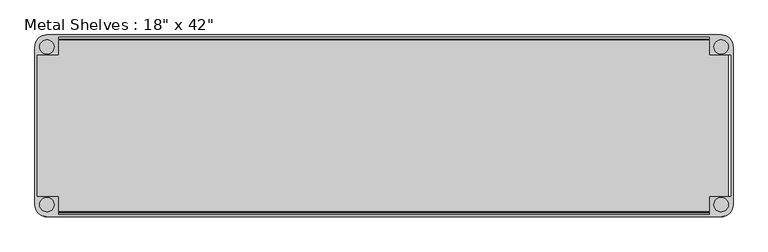
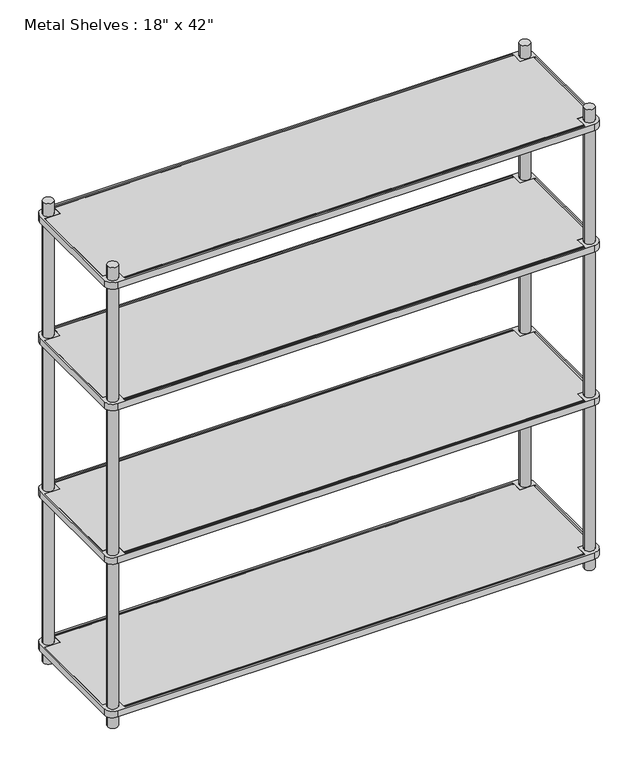
"""IFC4 building model written with IfcOpenShell, lengths in millimetres: furniture geometry."""

from ifc_helpers import new_model, si_unit, point, frame, frame_2d, origin, origin_with_axes, place, context, project, spatial, polyline, circle_curve, trimmed, segment, composite_curve, outline, extrude, source, transform, mapped, element, save


def furniture_4351e6d8(model_context):
    return source(origin(), model_context, "Body", "SweptSolid", [
        extrude(outline(polyline([(-863.6, 187.325), (-863.6, 227.0125), (863.6, 227.0125), (863.6, 187.325), (914.4, 187.325), (914.4, -187.325), (863.6, -187.325), (863.6, -227.0125), (-863.6, -227.0125), (-863.6, -187.325), (-920.75, -187.325), (-920.75, 187.325), (-863.6, 187.325)])), frame((0.0, 0.0, 1774.825), z_axis=(0.0, 0.0, 1.0), x_axis=(1.0, 0.0, 0.0)), (0.0, 0.0, 1.0), 3.175),
        extrude(outline(polyline([(-863.6, 187.325), (-863.6, 227.0125), (863.6, 227.0125), (863.6, 187.325), (914.4, 187.325), (914.4, -187.325), (863.6, -187.325), (863.6, -227.0125), (-863.6, -227.0125), (-863.6, -187.325), (-920.75, -187.325), (-920.75, 187.325), (-863.6, 187.325)])), frame((0.0, 0.0, 1292.225), z_axis=(0.0, 0.0, 1.0), x_axis=(1.0, 0.0, 0.0)), (0.0, 0.0, 1.0), 3.175),
        extrude(outline(polyline([(-863.6, 187.325), (-863.6, 227.0125), (863.6, 227.0125), (863.6, 187.325), (914.4, 187.325), (914.4, -187.325), (863.6, -187.325), (863.6, -227.0125), (-863.6, -227.0125), (-863.6, -187.325), (-920.75, -187.325), (-920.75, 187.325), (-863.6, 187.325)])), frame((0.0, 0.0, 682.625), z_axis=(0.0, 0.0, 1.0), x_axis=(1.0, 0.0, 0.0)), (0.0, 0.0, 1.0), 3.175),
        extrude(outline(polyline([(-863.6, 187.325), (-863.6, 227.0125), (863.6, 227.0125), (863.6, 187.325), (914.4, 187.325), (914.4, -187.325), (863.6, -187.325), (863.6, -227.0125), (-863.6, -227.0125), (-863.6, -187.325), (-920.75, -187.325), (-920.75, 187.325), (-863.6, 187.325)])), frame((0.0, 0.0, 73.025), z_axis=(0.0, 0.0, 1.0), x_axis=(1.0, 0.0, 0.0)), (0.0, 0.0, 1.0), 3.175),
        extrude(outline(composite_curve([segment(trimmed(circle_curve(frame_2d((895.35, -209.55)), 31.75), [point((927.1, -209.55))], [point((895.35, -241.3))], False, "CARTESIAN"), True, "CONTINUOUS"), segment(polyline([(895.35, -241.3), (-895.35, -241.3)]), True, "CONTINUOUS"), segment(trimmed(circle_curve(frame_2d((-895.35, -209.55)), 31.75), [point((-895.35, -241.3))], [point((-927.1, -209.55))], False, "CARTESIAN"), True, "CONTINUOUS"), segment(polyline([(-927.1, -209.55), (-927.1, 209.55)]), True, "CONTINUOUS"), segment(trimmed(circle_curve(frame_2d((-895.35, 209.55)), 31.75), [point((-927.1, 209.55))], [point((-895.35, 241.3))], False, "CARTESIAN"), True, "CONTINUOUS"), segment(polyline([(-895.35, 241.3), (895.35, 241.3)]), True, "CONTINUOUS"), segment(trimmed(circle_curve(frame_2d((895.35, 209.55)), 31.75), [point((895.35, 241.3))], [point((927.1, 209.55))], False, "CARTESIAN"), True, "CONTINUOUS"), segment(polyline([(927.1, 209.55), (927.1, -209.55)]), True, "CONTINUOUS")], self_intersect=False), holes=[polyline([(-863.6, -234.95), (863.6, -234.95), (863.6, -187.325), (920.75, -187.325), (920.75, 187.325), (863.6, 187.325), (863.6, 234.95), (-863.6, 234.95), (-863.6, 187.325), (-920.75, 187.325), (-920.75, -187.325), (-863.6, -187.325), (-863.6, -234.95)]), composite_curve([segment(trimmed(circle_curve(frame_2d((895.35, -209.55)), 19.05), [point((876.3, -209.55))], [point((914.4, -209.55))], True, "CARTESIAN"), True, "CONTINUOUS"), segment(trimmed(circle_curve(frame_2d((895.35, -209.55)), 19.05), [point((914.4, -209.55))], [point((876.3, -209.55))], True, "CARTESIAN"), True, "CONTINUOUS")], self_intersect=False), composite_curve([segment(trimmed(circle_curve(frame_2d((895.35, 209.55)), 19.05), [point((876.3, 209.55))], [point((914.4, 209.55))], True, "CARTESIAN"), True, "CONTINUOUS"), segment(trimmed(circle_curve(frame_2d((895.35, 209.55)), 19.05), [point((914.4, 209.55))], [point((876.3, 209.55))], True, "CARTESIAN"), True, "CONTINUOUS")], self_intersect=False), composite_curve([segment(trimmed(circle_curve(frame_2d((-895.35, 209.55)), 19.05), [point((-876.3, 209.55))], [point((-914.4, 209.55))], True, "CARTESIAN"), True, "CONTINUOUS"), segment(trimmed(circle_curve(frame_2d((-895.35, 209.55)), 19.05), [point((-914.4, 209.55))], [point((-876.3, 209.55))], True, "CARTESIAN"), True, "CONTINUOUS")], self_intersect=False), composite_curve([segment(trimmed(circle_curve(frame_2d((-895.35, -209.55)), 19.05), [point((-876.3, -209.55))], [point((-914.4, -209.55))], True, "CARTESIAN"), True, "CONTINUOUS"), segment(trimmed(circle_curve(frame_2d((-895.35, -209.55)), 19.05), [point((-914.4, -209.55))], [point((-876.3, -209.55))], True, "CARTESIAN"), True, "CONTINUOUS")], self_intersect=False)]), frame((0.0, 0.0, 660.4), z_axis=(0.0, 0.0, 1.0), x_axis=(1.0, 0.0, 0.0)), (0.0, 0.0, 1.0), 25.4),
        extrude(outline(composite_curve([segment(trimmed(circle_curve(frame_2d((-895.35, -209.55)), 31.75), [point((-895.35, -241.3))], [point((-927.1, -209.55))], False, "CARTESIAN"), True, "CONTINUOUS"), segment(polyline([(-927.1, -209.55), (-927.1, 209.55)]), True, "CONTINUOUS"), segment(trimmed(circle_curve(frame_2d((-895.35, 209.55)), 31.75), [point((-927.1, 209.55))], [point((-895.35, 241.3))], False, "CARTESIAN"), True, "CONTINUOUS"), segment(polyline([(-895.35, 241.3), (895.35, 241.3)]), True, "CONTINUOUS"), segment(trimmed(circle_curve(frame_2d((895.35, 209.55)), 31.75), [point((895.35, 241.3))], [point((927.1, 209.55))], False, "CARTESIAN"), True, "CONTINUOUS"), segment(polyline([(927.1, 209.55), (927.1, -209.55)]), True, "CONTINUOUS"), segment(trimmed(circle_curve(frame_2d((895.35, -209.55)), 31.75), [point((927.1, -209.55))], [point((895.35, -241.3))], False, "CARTESIAN"), True, "CONTINUOUS"), segment(polyline([(895.35, -241.3), (-895.35, -241.3)]), True, "CONTINUOUS")], self_intersect=False), holes=[composite_curve([segment(trimmed(circle_curve(frame_2d((-895.35, -209.55)), 19.05), [point((-876.3, -209.55))], [point((-914.4, -209.55))], True, "CARTESIAN"), True, "CONTINUOUS"), segment(trimmed(circle_curve(frame_2d((-895.35, -209.55)), 19.05), [point((-914.4, -209.55))], [point((-876.3, -209.55))], True, "CARTESIAN"), True, "CONTINUOUS")], self_intersect=False), composite_curve([segment(trimmed(circle_curve(frame_2d((-895.35, 209.55)), 19.05), [point((-876.3, 209.55))], [point((-914.4, 209.55))], True, "CARTESIAN"), True, "CONTINUOUS"), segment(trimmed(circle_curve(frame_2d((-895.35, 209.55)), 19.05), [point((-914.4, 209.55))], [point((-876.3, 209.55))], True, "CARTESIAN"), True, "CONTINUOUS")], self_intersect=False), composite_curve([segment(trimmed(circle_curve(frame_2d((895.35, -209.55)), 19.05), [point((876.3, -209.55))], [point((914.4, -209.55))], True, "CARTESIAN"), True, "CONTINUOUS"), segment(trimmed(circle_curve(frame_2d((895.35, -209.55)), 19.05), [point((914.4, -209.55))], [point((876.3, -209.55))], True, "CARTESIAN"), True, "CONTINUOUS")], self_intersect=False), composite_curve([segment(trimmed(circle_curve(frame_2d((895.35, 209.55)), 19.05), [point((876.3, 209.55))], [point((914.4, 209.55))], True, "CARTESIAN"), True, "CONTINUOUS"), segment(trimmed(circle_curve(frame_2d((895.35, 209.55)), 19.05), [point((914.4, 209.55))], [point((876.3, 209.55))], True, "CARTESIAN"), True, "CONTINUOUS")], self_intersect=False), polyline([(-863.6, -234.95), (863.6, -234.95), (863.6, -187.325), (920.75, -187.325), (920.75, 187.325), (863.6, 187.325), (863.6, 234.95), (-863.6, 234.95), (-863.6, 187.325), (-920.75, 187.325), (-920.75, -187.325), (-863.6, -187.325), (-863.6, -234.95)])]), frame((0.0, 0.0, 50.8), z_axis=(0.0, 0.0, 1.0), x_axis=(1.0, 0.0, 0.0)), (0.0, 0.0, 1.0), 25.4),
        extrude(outline(composite_curve([segment(trimmed(circle_curve(frame_2d((-895.35, 209.55)), 31.75), [point((-927.1, 209.55))], [point((-895.35, 241.3))], False, "CARTESIAN"), True, "CONTINUOUS"), segment(polyline([(-895.35, 241.3), (895.35, 241.3)]), True, "CONTINUOUS"), segment(trimmed(circle_curve(frame_2d((895.35, 209.55)), 31.75), [point((895.35, 241.3))], [point((927.1, 209.55))], False, "CARTESIAN"), True, "CONTINUOUS"), segment(polyline([(927.1, 209.55), (927.1, -209.55)]), True, "CONTINUOUS"), segment(trimmed(circle_curve(frame_2d((895.35, -209.55)), 31.75), [point((927.1, -209.55))], [point((895.35, -241.3))], False, "CARTESIAN"), True, "CONTINUOUS"), segment(polyline([(895.35, -241.3), (-895.35, -241.3)]), True, "CONTINUOUS"), segment(trimmed(circle_curve(frame_2d((-895.35, -209.55)), 31.75), [point((-895.35, -241.3))], [point((-927.1, -209.55))], False, "CARTESIAN"), True, "CONTINUOUS"), segment(polyline([(-927.1, -209.55), (-927.1, 209.55)]), True, "CONTINUOUS")], self_intersect=False), holes=[composite_curve([segment(trimmed(circle_curve(frame_2d((-895.35, 209.55)), 19.05), [point((-876.3, 209.55))], [point((-914.4, 209.55))], True, "CARTESIAN"), True, "CONTINUOUS"), segment(trimmed(circle_curve(frame_2d((-895.35, 209.55)), 19.05), [point((-914.4, 209.55))], [point((-876.3, 209.55))], True, "CARTESIAN"), True, "CONTINUOUS")], self_intersect=False), composite_curve([segment(trimmed(circle_curve(frame_2d((-895.35, -209.55)), 19.05), [point((-876.3, -209.55))], [point((-914.4, -209.55))], True, "CARTESIAN"), True, "CONTINUOUS"), segment(trimmed(circle_curve(frame_2d((-895.35, -209.55)), 19.05), [point((-914.4, -209.55))], [point((-876.3, -209.55))], True, "CARTESIAN"), True, "CONTINUOUS")], self_intersect=False), composite_curve([segment(trimmed(circle_curve(frame_2d((895.35, -209.55)), 19.05), [point((876.3, -209.55))], [point((914.4, -209.55))], True, "CARTESIAN"), True, "CONTINUOUS"), segment(trimmed(circle_curve(frame_2d((895.35, -209.55)), 19.05), [point((914.4, -209.55))], [point((876.3, -209.55))], True, "CARTESIAN"), True, "CONTINUOUS")], self_intersect=False), polyline([(-863.6, -234.95), (863.6, -234.95), (863.6, -187.325), (920.75, -187.325), (920.75, 187.325), (863.6, 187.325), (863.6, 234.95), (-863.6, 234.95), (-863.6, 187.325), (-920.75, 187.325), (-920.75, -187.325), (-863.6, -187.325), (-863.6, -234.95)]), composite_curve([segment(trimmed(circle_curve(frame_2d((895.35, 209.55)), 19.05), [point((876.3, 209.55))], [point((914.4, 209.55))], True, "CARTESIAN"), True, "CONTINUOUS"), segment(trimmed(circle_curve(frame_2d((895.35, 209.55)), 19.05), [point((914.4, 209.55))], [point((876.3, 209.55))], True, "CARTESIAN"), True, "CONTINUOUS")], self_intersect=False)]), frame((0.0, 0.0, 1270.0), z_axis=(0.0, 0.0, 1.0), x_axis=(1.0, 0.0, 0.0)), (0.0, 0.0, 1.0), 25.4),
        extrude(outline(composite_curve([segment(trimmed(circle_curve(frame_2d((-895.35, -209.55)), 31.75), [point((-895.35, -241.3))], [point((-927.1, -209.55))], False, "CARTESIAN"), True, "CONTINUOUS"), segment(polyline([(-927.1, -209.55), (-927.1, 209.55)]), True, "CONTINUOUS"), segment(trimmed(circle_curve(frame_2d((-895.35, 209.55)), 31.75), [point((-927.1, 209.55))], [point((-895.35, 241.3))], False, "CARTESIAN"), True, "CONTINUOUS"), segment(polyline([(-895.35, 241.3), (895.35, 241.3)]), True, "CONTINUOUS"), segment(trimmed(circle_curve(frame_2d((895.35, 209.55)), 31.75), [point((895.35, 241.3))], [point((927.1, 209.55))], False, "CARTESIAN"), True, "CONTINUOUS"), segment(polyline([(927.1, 209.55), (927.1, -209.55)]), True, "CONTINUOUS"), segment(trimmed(circle_curve(frame_2d((895.35, -209.55)), 31.75), [point((927.1, -209.55))], [point((895.35, -241.3))], False, "CARTESIAN"), True, "CONTINUOUS"), segment(polyline([(895.35, -241.3), (-895.35, -241.3)]), True, "CONTINUOUS")], self_intersect=False), holes=[composite_curve([segment(trimmed(circle_curve(frame_2d((895.35, 209.55)), 19.05), [point((876.3, 209.55))], [point((914.4, 209.55))], True, "CARTESIAN"), True, "CONTINUOUS"), segment(trimmed(circle_curve(frame_2d((895.35, 209.55)), 19.05), [point((914.4, 209.55))], [point((876.3, 209.55))], True, "CARTESIAN"), True, "CONTINUOUS")], self_intersect=False), composite_curve([segment(trimmed(circle_curve(frame_2d((895.35, -209.55)), 19.05), [point((876.3, -209.55))], [point((914.4, -209.55))], True, "CARTESIAN"), True, "CONTINUOUS"), segment(trimmed(circle_curve(frame_2d((895.35, -209.55)), 19.05), [point((914.4, -209.55))], [point((876.3, -209.55))], True, "CARTESIAN"), True, "CONTINUOUS")], self_intersect=False), composite_curve([segment(trimmed(circle_curve(frame_2d((-895.35, 209.55)), 19.05), [point((-876.3, 209.55))], [point((-914.4, 209.55))], True, "CARTESIAN"), True, "CONTINUOUS"), segment(trimmed(circle_curve(frame_2d((-895.35, 209.55)), 19.05), [point((-914.4, 209.55))], [point((-876.3, 209.55))], True, "CARTESIAN"), True, "CONTINUOUS")], self_intersect=False), polyline([(920.75, -187.325), (920.75, 187.325), (863.6, 187.325), (863.6, 234.95), (-863.6, 234.95), (-863.6, 187.325), (-920.75, 187.325), (-920.75, -187.325), (-863.6, -187.325), (-863.6, -234.95), (863.6, -234.95), (863.6, -187.325), (920.75, -187.325)]), composite_curve([segment(trimmed(circle_curve(frame_2d((-895.35, -209.55)), 19.05), [point((-876.3, -209.55))], [point((-914.4, -209.55))], True, "CARTESIAN"), True, "CONTINUOUS"), segment(trimmed(circle_curve(frame_2d((-895.35, -209.55)), 19.05), [point((-914.4, -209.55))], [point((-876.3, -209.55))], True, "CARTESIAN"), True, "CONTINUOUS")], self_intersect=False)]), frame((0.0, 0.0, 1752.6), z_axis=(0.0, 0.0, 1.0), x_axis=(1.0, 0.0, 0.0)), (0.0, 0.0, 1.0), 25.4),
        extrude(outline(composite_curve([segment(trimmed(circle_curve(frame_2d((228.6, 1776.4125)), 1.5875), [point((227.0125, 1776.4125))], [point((230.1875, 1776.4125))], False, "CARTESIAN"), True, "CONTINUOUS"), segment(trimmed(circle_curve(frame_2d((228.6, 1776.4125)), 1.5875), [point((230.1875, 1776.4125))], [point((227.0125, 1776.4125))], False, "CARTESIAN"), True, "CONTINUOUS")], self_intersect=False)), frame((-863.6, 0.0, 0.0), z_axis=(1.0, 0.0, 0.0), x_axis=(0.0, 1.0, 0.0)), (0.0, 0.0, 1.0), 1727.2),
        extrude(outline(composite_curve([segment(trimmed(circle_curve(frame_2d((-228.6, 1776.4125)), 1.5875), [point((-230.1875, 1776.4125))], [point((-227.0125, 1776.4125))], False, "CARTESIAN"), True, "CONTINUOUS"), segment(trimmed(circle_curve(frame_2d((-228.6, 1776.4125)), 1.5875), [point((-227.0125, 1776.4125))], [point((-230.1875, 1776.4125))], False, "CARTESIAN"), True, "CONTINUOUS")], self_intersect=False)), frame((-863.6, 0.0, 0.0), z_axis=(1.0, 0.0, 0.0), x_axis=(0.0, 1.0, 0.0)), (0.0, 0.0, 1.0), 1727.2),
        extrude(outline(composite_curve([segment(trimmed(circle_curve(frame_2d((228.6, 1293.8125)), 1.5875), [point((227.0125, 1293.8125))], [point((230.1875, 1293.8125))], False, "CARTESIAN"), True, "CONTINUOUS"), segment(trimmed(circle_curve(frame_2d((228.6, 1293.8125)), 1.5875), [point((230.1875, 1293.8125))], [point((227.0125, 1293.8125))], False, "CARTESIAN"), True, "CONTINUOUS")], self_intersect=False)), frame((-863.6, 0.0, 0.0), z_axis=(1.0, 0.0, 0.0), x_axis=(0.0, 1.0, 0.0)), (0.0, 0.0, 1.0), 1727.2),
        extrude(outline(composite_curve([segment(trimmed(circle_curve(frame_2d((-228.6, 1293.8125)), 1.5875), [point((-230.1875, 1293.8125))], [point((-227.0125, 1293.8125))], False, "CARTESIAN"), True, "CONTINUOUS"), segment(trimmed(circle_curve(frame_2d((-228.6, 1293.8125)), 1.5875), [point((-227.0125, 1293.8125))], [point((-230.1875, 1293.8125))], False, "CARTESIAN"), True, "CONTINUOUS")], self_intersect=False)), frame((-863.6, 0.0, 0.0), z_axis=(1.0, 0.0, 0.0), x_axis=(0.0, 1.0, 0.0)), (0.0, 0.0, 1.0), 1727.2),
        extrude(outline(composite_curve([segment(trimmed(circle_curve(frame_2d((228.6, 684.2125)), 1.5875), [point((227.0125, 684.2125))], [point((230.1875, 684.2125))], False, "CARTESIAN"), True, "CONTINUOUS"), segment(trimmed(circle_curve(frame_2d((228.6, 684.2125)), 1.5875), [point((230.1875, 684.2125))], [point((227.0125, 684.2125))], False, "CARTESIAN"), True, "CONTINUOUS")], self_intersect=False)), frame((-863.6, 0.0, 0.0), z_axis=(1.0, 0.0, 0.0), x_axis=(0.0, 1.0, 0.0)), (0.0, 0.0, 1.0), 1727.2),
        extrude(outline(composite_curve([segment(trimmed(circle_curve(frame_2d((-228.6, 684.2125)), 1.5875), [point((-230.1875, 684.2125))], [point((-227.0125, 684.2125))], False, "CARTESIAN"), True, "CONTINUOUS"), segment(trimmed(circle_curve(frame_2d((-228.6, 684.2125)), 1.5875), [point((-227.0125, 684.2125))], [point((-230.1875, 684.2125))], False, "CARTESIAN"), True, "CONTINUOUS")], self_intersect=False)), frame((-863.6, 0.0, 0.0), z_axis=(1.0, 0.0, 0.0), x_axis=(0.0, 1.0, 0.0)), (0.0, 0.0, 1.0), 1727.2),
        extrude(outline(composite_curve([segment(trimmed(circle_curve(frame_2d((228.6, 74.6125)), 1.5875), [point((227.0125, 74.6125))], [point((230.1875, 74.6125))], False, "CARTESIAN"), True, "CONTINUOUS"), segment(trimmed(circle_curve(frame_2d((228.6, 74.6125)), 1.5875), [point((230.1875, 74.6125))], [point((227.0125, 74.6125))], False, "CARTESIAN"), True, "CONTINUOUS")], self_intersect=False)), frame((-863.6, 0.0, 0.0), z_axis=(1.0, 0.0, 0.0), x_axis=(0.0, 1.0, 0.0)), (0.0, 0.0, 1.0), 1727.2),
        extrude(outline(composite_curve([segment(trimmed(circle_curve(frame_2d((-228.6, 74.6125)), 1.5875), [point((-230.1875, 74.6125))], [point((-227.0125, 74.6125))], False, "CARTESIAN"), True, "CONTINUOUS"), segment(trimmed(circle_curve(frame_2d((-228.6, 74.6125)), 1.5875), [point((-227.0125, 74.6125))], [point((-230.1875, 74.6125))], False, "CARTESIAN"), True, "CONTINUOUS")], self_intersect=False)), frame((-863.6, 0.0, 0.0), z_axis=(1.0, 0.0, 0.0), x_axis=(0.0, 1.0, 0.0)), (0.0, 0.0, 1.0), 1727.2),
        extrude(outline(composite_curve([segment(trimmed(circle_curve(frame_2d((895.35, -209.55)), 19.05), [point((914.4, -209.55))], [point((876.3, -209.55))], False, "CARTESIAN"), True, "CONTINUOUS"), segment(trimmed(circle_curve(frame_2d((895.35, -209.55)), 19.05), [point((876.3, -209.55))], [point((914.4, -209.55))], False, "CARTESIAN"), True, "CONTINUOUS")], self_intersect=False)), origin_with_axes(), (0.0, 0.0, 1.0), 1828.8),
        extrude(outline(composite_curve([segment(trimmed(circle_curve(frame_2d((-895.35, -209.55)), 19.05), [point((-914.4, -209.55))], [point((-876.3, -209.55))], False, "CARTESIAN"), True, "CONTINUOUS"), segment(trimmed(circle_curve(frame_2d((-895.35, -209.55)), 19.05), [point((-876.3, -209.55))], [point((-914.4, -209.55))], False, "CARTESIAN"), True, "CONTINUOUS")], self_intersect=False)), origin_with_axes(), (0.0, 0.0, 1.0), 1828.8),
        extrude(outline(composite_curve([segment(trimmed(circle_curve(frame_2d((895.35, 209.55)), 19.05), [point((914.4, 209.55))], [point((876.3, 209.55))], False, "CARTESIAN"), True, "CONTINUOUS"), segment(trimmed(circle_curve(frame_2d((895.35, 209.55)), 19.05), [point((876.3, 209.55))], [point((914.4, 209.55))], False, "CARTESIAN"), True, "CONTINUOUS")], self_intersect=False)), origin_with_axes(), (0.0, 0.0, 1.0), 1828.8),
        extrude(outline(composite_curve([segment(trimmed(circle_curve(frame_2d((-895.35, 209.55)), 19.05), [point((-914.4, 209.55))], [point((-876.3, 209.55))], False, "CARTESIAN"), True, "CONTINUOUS"), segment(trimmed(circle_curve(frame_2d((-895.35, 209.55)), 19.05), [point((-876.3, 209.55))], [point((-914.4, 209.55))], False, "CARTESIAN"), True, "CONTINUOUS")], self_intersect=False)), origin_with_axes(), (0.0, 0.0, 1.0), 1828.8),
    ])


if __name__ == "__main__":
    model = new_model("IFC4")
    model_context = context("Model", 3, world=origin())
    ifc_project = project(units=[si_unit("LENGTHUNIT", "METRE", prefix="MILLI")], contexts=[model_context])
    site = spatial("IfcSite", under=ifc_project)
    building = spatial("IfcBuilding", under=site)
    placement = place(None, origin())
    furniture_shape = furniture_4351e6d8(model_context)
    element("IfcFurniture", 1, ObjectType="Metal Shelves : 18\" x 42\"", at=placement, inside=building, context=model_context, shape_type="MappedRepresentation", body=[
        mapped(furniture_shape, transform((0.0, 0.0, 0.0), x_axis=(1.0, 0.0, 0.0), y_axis=(0.0, 1.0, 0.0), z_axis=(0.0, 0.0, 1.0))),
    ])
    save(model, "model.ifc")
